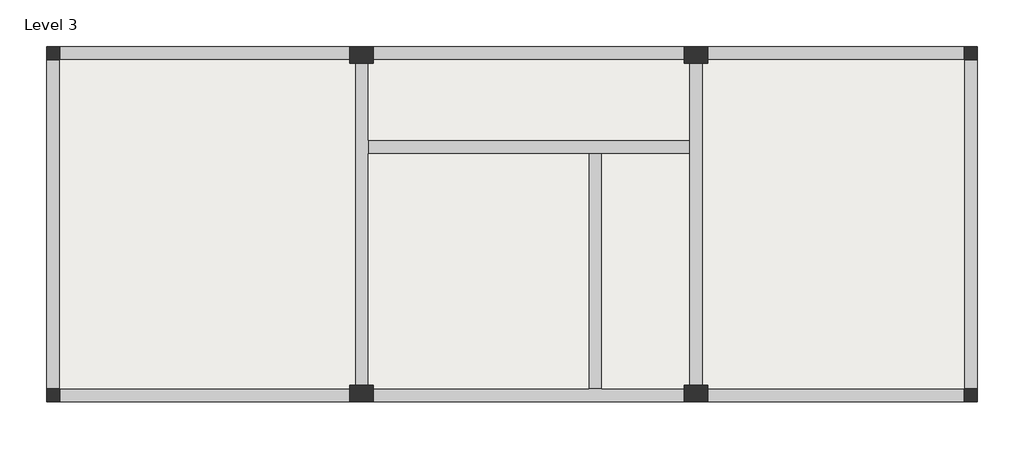
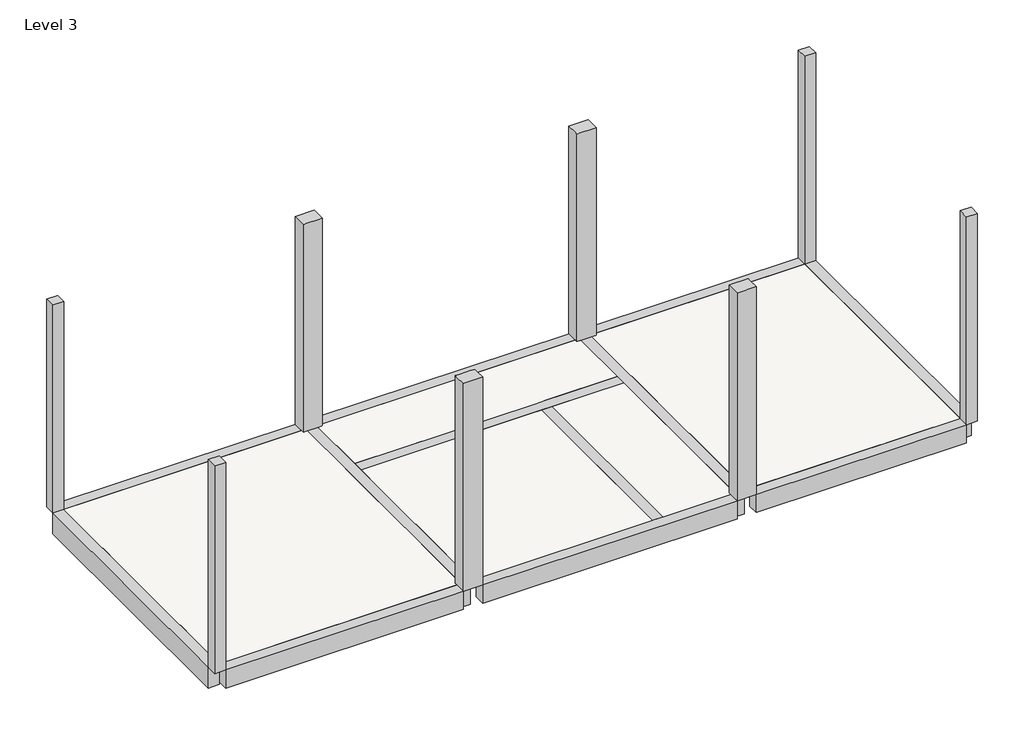
# One storey: 8 beams, 8 columns, 1 slab.
"""IFC4 building model written with IfcOpenShell, lengths in millimetres."""

import ifcopenshell
import ifcopenshell.guid

model = None  # the IFC model being written
_history = None  # IfcOwnerHistory: only IFC2X3 demands one
_inside = {}  # id of a spatial element -> (the spatial element, [elements in it])
_under = {}  # id of a project, library or spatial element -> (it, [spatial elements below it])
_declared = {}  # id of a project -> (the project, [libraries it declares])
_typed = {}  # id of a type object -> (the type object, [elements of that type])
_made_of = {}  # id of a material, layer set ... -> (it, [elements and type objects made of it])


def new_model(schema):
    """Start an empty IFC model of exactly this schema.

    Asked for "IFC4X3", IfcOpenShell would pick the latest addendum, in which some entities
    have other attributes; the version numbers below select the first issue.
    IFC2X3 requires an IfcOwnerHistory on every rooted entity: one is made here for all.
    """
    global model, _history
    if schema == "IFC4X3":
        model = ifcopenshell.file(schema_version=(4, 3, 0, 0))
    else:
        model = ifcopenshell.file(schema=schema)
    _inside.clear()
    _under.clear()
    _declared.clear()
    _typed.clear()
    _made_of.clear()
    _history = None
    if model.schema == "IFC2X3":
        org = make("IfcOrganization", Name="unknown")
        user = make(
            "IfcPersonAndOrganization",
            ThePerson=make("IfcPerson", FamilyName="unknown"),
            TheOrganization=org,
        )
        app = make(
            "IfcApplication",
            ApplicationDeveloper=org,
            Version="unknown",
            ApplicationFullName="unknown",
            ApplicationIdentifier="unknown",
        )
        _history = make(
            "IfcOwnerHistory",
            OwningUser=user,
            OwningApplication=app,
            ChangeAction="ADDED",
            CreationDate=0,
        )
    return model


def make(cls, **values):
    """One entity of the class cls with the attributes given. An attribute that is None is left unset."""
    return model.create_entity(
        cls, **{name: value for name, value in values.items() if value is not None}
    )


def rooted(cls, **values):
    """An entity with a GlobalId (a new one), such as an element, a storey or a relation."""
    return make(cls, GlobalId=ifcopenshell.guid.new(), OwnerHistory=_history, **values)


def si_unit(unit_type, name, prefix=None):
    """IfcSIUnit, for example si_unit("LENGTHUNIT", "METRE", prefix="MILLI")."""
    return make("IfcSIUnit", UnitType=unit_type, Prefix=prefix, Name=name)


def assignment(units):
    """IfcUnitAssignment: the units of a project."""
    return None if units is None else make("IfcUnitAssignment", Units=units)


def point(xyz):
    """IfcCartesianPoint."""
    return None if xyz is None else make("IfcCartesianPoint", Coordinates=xyz)


def direction(xyz):
    """IfcDirection."""
    return None if xyz is None else make("IfcDirection", DirectionRatios=xyz)


def frame(location, z_axis=None, x_axis=None):
    """IfcAxis2Placement3D, a coordinate frame: its origin and axes. An axis left out is left unset."""
    return make(
        "IfcAxis2Placement3D",
        Location=point(location),
        Axis=direction(z_axis),
        RefDirection=direction(x_axis),
    )


def origin():
    """The frame at (0, 0, 0) with its axes left unset."""
    return frame((0.0, 0.0, 0.0))


def place(relative_to, where):
    """IfcLocalPlacement: puts the frame where relative to a parent placement (None: the world)."""
    return make(
        "IfcLocalPlacement", PlacementRelTo=relative_to, RelativePlacement=where
    )


def context(
    kind, dimensions, precision=None, world=None, true_north=None, identifier=None
):
    """IfcGeometricRepresentationContext, for example the 3D "Model" context."""
    return make(
        "IfcGeometricRepresentationContext",
        ContextIdentifier=identifier,
        ContextType=kind,
        CoordinateSpaceDimension=dimensions,
        Precision=precision,
        WorldCoordinateSystem=world,
        TrueNorth=true_north,
    )


def project(units=None, contexts=None):
    """IfcProject with its units and contexts."""
    return rooted(
        "IfcProject",
        Name="project",
        RepresentationContexts=contexts,
        UnitsInContext=assignment(units),
    )


def spatial(cls, under=None, at=None, **own):
    """A site, building, storey or space (cls), placed at a placement, below another one or the project."""
    s = rooted(cls, ObjectPlacement=at, **own)
    if under is not None:
        _under.setdefault(under.id(), (under, []))[1].append(s)
    return s


def faces_of(points, faces, orient=None, outer=None):
    """IfcFace entities. A face is a list of loops; a loop is a list of indices into points, from 0.

    orient and outer hold one flag for each loop. By default every Orientation is true, the
    first loop of a face is its IfcFaceOuterBound and the others are IfcFaceBound.
    """
    made = []
    for i, loops in enumerate(faces):
        bounds = []
        for j, loop in enumerate(loops):
            is_outer = j == 0 if outer is None else outer[i][j]
            bounds.append(
                make(
                    "IfcFaceOuterBound" if is_outer else "IfcFaceBound",
                    Bound=make("IfcPolyLoop", Polygon=[points[k] for k in loop]),
                    Orientation=True if orient is None else orient[i][j],
                )
            )
        made.append(make("IfcFace", Bounds=bounds))
    return made


def faceted_brep(points, faces, orient=None, outer=None, voids=None):
    """IfcFacetedBrep: a solid bounded by flat faces; with voids (closed shells), ...WithVoids."""
    shared = [point(p) for p in points]
    hull = make("IfcClosedShell", CfsFaces=faces_of(shared, faces, orient, outer))
    if voids is None:
        return make("IfcFacetedBrep", Outer=hull)
    return make(
        "IfcFacetedBrepWithVoids",
        Outer=hull,
        Voids=[
            make(cls, CfsFaces=faces_of(shared, fs, o, b)) for cls, fs, o, b in voids
        ],
    )


def shape(context_of_items, identifier, shape_type, items):
    """IfcShapeRepresentation: the items that make up one representation, for example the "Body"."""
    return make(
        "IfcShapeRepresentation",
        ContextOfItems=context_of_items,
        RepresentationIdentifier=identifier,
        RepresentationType=shape_type,
        Items=items,
    )


def made_of(thing, what):
    """Note that an element or type object is made of a material, layer set ...; save() writes the relation."""
    if what is not None:
        _made_of.setdefault(what.id(), (what, []))[1].append(thing)
    return thing


def element(
    cls,
    number,
    at=None,
    inside=None,
    cuts=None,
    type_object=None,
    material=None,
    context=None,
    identifier="Body",
    shape_type=None,
    held_by="IfcProductDefinitionShape",
    body=None,
    shapes=None,
    **own,
):
    """One element of the class cls, such as IfcWall. Its Tag is "e" and its number.

    at: its placement. inside: the storey or other place that contains it. cuts: it is an
    opening in that element (IfcRelVoidsElement). A single representation is given by context,
    identifier, shape_type and body (its items); several are given by shapes. held_by: the class
    of the entity that holds the representations. save() writes the other relations.
    """
    e = rooted(cls, Tag="e%d" % number, ObjectPlacement=at, **own)
    if body is not None:
        shapes = [shape(context, identifier, shape_type, body)]
    if shapes is not None:
        e.Representation = make(held_by, Representations=shapes)
    if inside is not None:
        _inside.setdefault(inside.id(), (inside, []))[1].append(e)
    if cuts is not None:
        rooted(
            "IfcRelVoidsElement", RelatingBuildingElement=cuts, RelatedOpeningElement=e
        )
    if type_object is not None:
        _typed.setdefault(type_object.id(), (type_object, []))[1].append(e)
    return made_of(e, material)


def aggregate(whole, parts):
    """IfcRelAggregates: a whole, such as a stair, and the parts it consists of."""
    return rooted("IfcRelAggregates", RelatingObject=whole, RelatedObjects=parts)


def save(model, path):
    """Write the relations noted so far, then the file.

    IfcRelAggregates (storeys below a building ...), IfcRelContainedInSpatialStructure (elements
    in a storey), IfcRelDefinesByType, IfcRelAssociatesMaterial and IfcRelDeclares: one each for
    every whole, place, type object, material and project.
    """
    for whole, parts in _under.values():
        aggregate(whole, parts)
    for where, things in _inside.values():
        rooted(
            "IfcRelContainedInSpatialStructure",
            RelatedElements=things,
            RelatingStructure=where,
        )
    for kind, things in _typed.values():
        rooted("IfcRelDefinesByType", RelatedObjects=things, RelatingType=kind)
    for what, things in _made_of.values():
        rooted("IfcRelAssociatesMaterial", RelatedObjects=things, RelatingMaterial=what)
    for by, libraries in _declared.values():
        rooted("IfcRelDeclares", RelatingContext=by, RelatedDefinitions=libraries)
    model.write(path)


model = new_model("IFC4")

# Units and contexts
model_context = context("Model", 3, world=origin())
ifc_project = project(units=[si_unit("LENGTHUNIT", "METRE", prefix="MILLI")], contexts=[model_context])

# Site, building, storey
site = spatial("IfcSite", under=ifc_project)
building = spatial("IfcBuilding", under=site)
storey = spatial("IfcBuildingStorey", under=building, Name="Level 3", Elevation=7800.0)

# Beams
placement = place(None, origin())
element("IfcBeam", 1, ObjectType="200x300", at=placement, inside=storey, context=model_context, shape_type="Brep", body=[
    faceted_brep([(-6151.8328064, 1922.2386726, 7800.0), (-6151.8328064, 1722.2386726, 7800.0), (-2869.5898832, 1722.2386726, 7800.0), (-2669.5898832, 1722.2386726, 7800.0), (-1369.5898832, 1722.2386726, 7800.0), (-1369.5898832, 1922.2386726, 7800.0), (-6151.8328064, 1722.2386726, 7700.0), (-6151.8328064, 1722.2386726, 7500.0), (-2869.5898832, 1722.2386726, 7500.0), (-2669.5898832, 1722.2386726, 7500.0), (-1369.5898832, 1722.2386726, 7500.0), (-1369.5898832, 1722.2386726, 7700.0), (-6151.8328064, 1922.2386726, 7500.0), (-1369.5898832, 1922.2386726, 7500.0), (-6151.8328064, 1922.2386726, 7700.0), (-1369.5898832, 1922.2386726, 7700.0)], [[[0, 1, 2, 3, 4, 5]], [[1, 6, 7, 8, 9, 10, 11, 4, 3, 2]], [[7, 12, 13, 10, 9, 8]], [[12, 14, 0, 5, 15, 13]], [[1, 0, 14, 12, 7, 6]], [[5, 4, 11, 10, 13, 15]]]),
])
element("IfcBeam", 2, ObjectType="200x300", at=placement, inside=storey, context=model_context, shape_type="Brep", body=[
    faceted_brep([(-2669.5898832, -1777.7613274, 7800.0), (-2869.5898832, -1777.7613274, 7800.0), (-2869.5898832, -1777.7613274, 7700.0), (-2869.5898832, -1777.7613274, 7500.0), (-2669.5898832, -1777.7613274, 7500.0), (-2669.5898832, -1777.7613274, 7700.0), (-2669.5898832, 1722.2386726, 7800.0), (-2869.5898832, 1722.2386726, 7800.0), (-2869.5898832, 1722.2386726, 7700.0), (-2869.5898832, 1722.2386726, 7500.0), (-2669.5898832, 1722.2386726, 7500.0), (-2669.5898832, 1722.2386726, 7700.0)], [[[0, 1, 2, 3, 4, 5]], [[1, 0, 6, 7]], [[3, 2, 1, 7, 8, 9]], [[4, 3, 9, 10]], [[0, 5, 4, 10, 11, 6]], [[7, 6, 11, 10, 9, 8]]]),
])
element("IfcBeam", 3, ObjectType="200x350", at=placement, inside=storey, context=model_context, shape_type="Brep", body=[
    faceted_brep([(2730.4101168, 3322.2386726, 7450.0), (2730.4101168, 3122.2386726, 7450.0), (-1094.5898832, 3122.2386726, 7450.0), (-1094.5898832, 3322.2386726, 7450.0), (2730.4101168, 3122.2386726, 7700.0), (2730.4101168, 3122.2386726, 7800.0), (-1094.5898832, 3122.2386726, 7800.0), (-1094.5898832, 3122.2386726, 7700.0), (2730.4101168, 3322.2386726, 7800.0), (-1094.5898832, 3322.2386726, 7800.0)], [[[0, 1, 2, 3]], [[1, 4, 5, 6, 7, 2]], [[8, 0, 3, 9]], [[5, 8, 9, 6]], [[1, 0, 8, 5, 4]], [[3, 2, 7, 6, 9]]]),
    faceted_brep([(-10751.8328064, 3322.2386726, 7450.0), (-10751.8328064, 3122.2386726, 7450.0), (-10751.8328064, 3122.2386726, 7700.0), (-10751.8328064, 3122.2386726, 7800.0), (-10751.8328064, 3322.2386726, 7800.0), (-6426.8328064, 3122.2386726, 7450.0), (-6426.8328064, 3322.2386726, 7450.0), (-6426.8328064, 3322.2386726, 7800.0), (-6426.8328064, 3122.2386726, 7800.0), (-6426.8328064, 3122.2386726, 7700.0)], [[[0, 1, 2, 3, 4]], [[5, 6, 7, 8, 9]], [[1, 0, 6, 5]], [[3, 2, 1, 5, 9, 8]], [[0, 4, 7, 6]], [[4, 3, 8, 7]]]),
    faceted_brep([(-6076.8328064, 3322.2386726, 7450.0), (-6076.8328064, 3122.2386726, 7450.0), (-6076.8328064, 3122.2386726, 7700.0), (-6076.8328064, 3122.2386726, 7800.0), (-6076.8328064, 3322.2386726, 7800.0), (-1444.5898832, 3122.2386726, 7450.0), (-1444.5898832, 3322.2386726, 7450.0), (-1444.5898832, 3322.2386726, 7800.0), (-1444.5898832, 3122.2386726, 7800.0), (-1444.5898832, 3122.2386726, 7700.0)], [[[0, 1, 2, 3, 4]], [[5, 6, 7, 8, 9]], [[1, 0, 6, 5]], [[3, 2, 1, 5, 9, 8]], [[0, 4, 7, 6]], [[4, 3, 8, 7]]]),
])
element("IfcBeam", 4, ObjectType="200x350", at=placement, inside=storey, context=model_context, shape_type="Brep", body=[
    faceted_brep([(-10751.8328064, -1977.7613274, 7450.0), (-10751.8328064, -1777.7613274, 7450.0), (-6426.8328064, -1777.7613274, 7450.0), (-6426.8328064, -1977.7613274, 7450.0), (-10751.8328064, -1777.7613274, 7700.0), (-10751.8328064, -1777.7613274, 7800.0), (-6426.8328064, -1777.7613274, 7800.0), (-6426.8328064, -1777.7613274, 7700.0), (-10751.8328064, -1977.7613274, 7800.0), (-6426.8328064, -1977.7613274, 7800.0)], [[[0, 1, 2, 3]], [[1, 4, 5, 6, 7, 2]], [[8, 0, 3, 9]], [[5, 8, 9, 6]], [[1, 0, 8, 5, 4]], [[3, 2, 7, 6, 9]]]),
    faceted_brep([(2730.4101168, -1977.7613274, 7450.0), (2730.4101168, -1777.7613274, 7450.0), (2730.4101168, -1777.7613274, 7700.0), (2730.4101168, -1777.7613274, 7800.0), (2730.4101168, -1977.7613274, 7800.0), (-1094.5898832, -1777.7613274, 7450.0), (-1094.5898832, -1977.7613274, 7450.0), (-1094.5898832, -1977.7613274, 7800.0), (-1094.5898832, -1777.7613274, 7800.0), (-1094.5898832, -1777.7613274, 7700.0)], [[[0, 1, 2, 3, 4]], [[5, 6, 7, 8, 9]], [[1, 0, 6, 5]], [[3, 2, 1, 5, 9, 8]], [[0, 4, 7, 6]], [[4, 3, 8, 7]]]),
    faceted_brep([(-1444.5898832, -1977.7613274, 7450.0), (-1444.5898832, -1777.7613274, 7450.0), (-1444.5898832, -1777.7613274, 7700.0), (-1444.5898832, -1777.7613274, 7800.0), (-1444.5898832, -1977.7613274, 7800.0), (-6076.8328064, -1777.7613274, 7450.0), (-6076.8328064, -1977.7613274, 7450.0), (-6076.8328064, -1977.7613274, 7800.0), (-6076.8328064, -1777.7613274, 7800.0), (-6076.8328064, -1777.7613274, 7700.0), (-2869.5898832, -1777.7613274, 7800.0), (-2669.5898832, -1777.7613274, 7800.0)], [[[0, 1, 2, 3, 4]], [[5, 6, 7, 8, 9]], [[1, 0, 6, 5]], [[3, 2, 1, 5, 9, 8, 10, 11]], [[0, 4, 7, 6]], [[4, 3, 11, 10, 8, 7]]]),
])
element("IfcBeam", 5, ObjectType="200x400", at=placement, inside=storey, context=model_context, shape_type="Brep", body=[
    faceted_brep([(2730.4101168, -1777.7613274, 7400.0), (2730.4101168, -1777.7613274, 7700.0), (2730.4101168, -1777.7613274, 7800.0), (2730.4101168, 3122.2386726, 7800.0), (2730.4101168, 3122.2386726, 7700.0), (2730.4101168, 3122.2386726, 7400.0), (2930.4101168, -1777.7613274, 7400.0), (2930.4101168, 3122.2386726, 7400.0), (2930.4101168, -1777.7613274, 7800.0), (2930.4101168, 3122.2386726, 7800.0)], [[[0, 1, 2, 3, 4, 5]], [[6, 0, 5, 7]], [[8, 6, 7, 9]], [[2, 8, 9, 3]], [[2, 1, 0, 6, 8]], [[5, 4, 3, 9, 7]]]),
])
element("IfcBeam", 6, ObjectType="200x400", at=placement, inside=storey, context=model_context, shape_type="Brep", body=[
    faceted_brep([(-10751.8328064, 3122.2386726, 7400.0), (-10751.8328064, 3122.2386726, 7700.0), (-10751.8328064, 3122.2386726, 7800.0), (-10751.8328064, -1777.7613274, 7800.0), (-10751.8328064, -1777.7613274, 7700.0), (-10751.8328064, -1777.7613274, 7400.0), (-10951.8328064, 3122.2386726, 7400.0), (-10951.8328064, -1777.7613274, 7400.0), (-10951.8328064, 3122.2386726, 7800.0), (-10951.8328064, -1777.7613274, 7800.0)], [[[0, 1, 2, 3, 4, 5]], [[6, 0, 5, 7]], [[8, 6, 7, 9]], [[2, 8, 9, 3]], [[2, 1, 0, 6, 8]], [[5, 4, 3, 9, 7]]]),
])
element("IfcBeam", 7, ObjectType="200x500", at=placement, inside=storey, context=model_context, shape_type="Brep", body=[
    faceted_brep([(-6151.8328064, -1727.7613274, 7800.0), (-6151.8328064, -1727.7613274, 7700.0), (-6151.8328064, -1727.7613274, 7300.0), (-6151.8328064, 3072.2386726, 7300.0), (-6151.8328064, 3072.2386726, 7700.0), (-6151.8328064, 3072.2386726, 7800.0), (-6151.8328064, 1922.2386726, 7800.0), (-6151.8328064, 1722.2386726, 7800.0), (-6351.8328064, -1727.7613274, 7800.0), (-6351.8328064, 3072.2386726, 7800.0), (-6351.8328064, -1727.7613274, 7300.0), (-6351.8328064, 3072.2386726, 7300.0), (-6351.8328064, -1727.7613274, 7700.0), (-6351.8328064, 3072.2386726, 7700.0)], [[[0, 1, 2, 3, 4, 5, 6, 7]], [[8, 0, 7, 6, 5, 9]], [[2, 10, 11, 3]], [[10, 12, 8, 9, 13, 11]], [[2, 1, 0, 8, 12, 10]], [[5, 4, 3, 11, 13, 9]]]),
])
element("IfcBeam", 8, ObjectType="200x500", at=placement, inside=storey, context=model_context, shape_type="Brep", body=[
    faceted_brep([(-1169.5898832, -1727.7613274, 7800.0), (-1169.5898832, -1727.7613274, 7700.0), (-1169.5898832, -1727.7613274, 7300.0), (-1169.5898832, 3072.2386726, 7300.0), (-1169.5898832, 3072.2386726, 7700.0), (-1169.5898832, 3072.2386726, 7800.0), (-1369.5898832, -1727.7613274, 7800.0), (-1369.5898832, 3072.2386726, 7800.0), (-1369.5898832, 1922.2386726, 7800.0), (-1369.5898832, 1722.2386726, 7800.0), (-1369.5898832, -1727.7613274, 7300.0), (-1369.5898832, 3072.2386726, 7300.0), (-1369.5898832, -1727.7613274, 7700.0), (-1369.5898832, 3072.2386726, 7700.0)], [[[0, 1, 2, 3, 4, 5]], [[6, 0, 5, 7, 8, 9]], [[2, 10, 11, 3]], [[10, 12, 6, 9, 8, 7, 13, 11]], [[2, 1, 0, 6, 12, 10]], [[5, 4, 3, 11, 13, 7]]]),
])

# Columns
element("IfcColumn", 9, ObjectType="C", at=placement, inside=storey, context=model_context, shape_type="Brep", body=[
    faceted_brep([(-10751.8328064, 3322.2386726, 7800.0), (-10751.8328064, 3122.2386726, 7800.0), (-10951.8328064, 3122.2386726, 7800.0), (-10951.8328064, 3322.2386726, 7800.0), (-10751.8328064, 3322.2386726, 11800.0), (-10751.8328064, 3122.2386726, 11800.0), (-10751.8328064, 3122.2386726, 11450.0), (-10751.8328064, 3122.2386726, 11400.0), (-10751.8328064, 3322.2386726, 11450.0), (-10951.8328064, 3122.2386726, 11800.0), (-10951.8328064, 3122.2386726, 11400.0), (-10951.8328064, 3322.2386726, 11800.0)], [[[0, 1, 2, 3]], [[4, 5, 6, 7, 1, 0, 8]], [[5, 9, 10, 2, 1, 7, 6]], [[9, 11, 3, 2, 10]], [[11, 4, 8, 0, 3]], [[4, 11, 9, 5]]]),
])
element("IfcColumn", 10, ObjectType="C", at=placement, inside=storey, context=model_context, shape_type="Brep", body=[
    faceted_brep([(-10951.8328064, -1777.7613274, 7800.0), (-10751.8328064, -1777.7613274, 7800.0), (-10751.8328064, -1977.7613274, 7800.0), (-10951.8328064, -1977.7613274, 7800.0), (-10951.8328064, -1777.7613274, 11800.0), (-10751.8328064, -1777.7613274, 11800.0), (-10751.8328064, -1777.7613274, 11450.0), (-10751.8328064, -1777.7613274, 11400.0), (-10951.8328064, -1777.7613274, 11400.0), (-10751.8328064, -1977.7613274, 11800.0), (-10751.8328064, -1977.7613274, 11450.0), (-10951.8328064, -1977.7613274, 11800.0)], [[[0, 1, 2, 3]], [[4, 5, 6, 7, 1, 0, 8]], [[5, 9, 10, 2, 1, 7, 6]], [[9, 11, 3, 2, 10]], [[11, 4, 8, 0, 3]], [[4, 11, 9, 5]]]),
])
element("IfcColumn", 11, ObjectType="C", at=placement, inside=storey, context=model_context, shape_type="Brep", body=[
    faceted_brep([(2730.4101168, -1977.7613274, 7800.0), (2730.4101168, -1777.7613274, 7800.0), (2930.4101168, -1777.7613274, 7800.0), (2930.4101168, -1977.7613274, 7800.0), (2730.4101168, -1977.7613274, 11800.0), (2730.4101168, -1777.7613274, 11800.0), (2730.4101168, -1777.7613274, 11450.0), (2730.4101168, -1777.7613274, 11400.0), (2730.4101168, -1977.7613274, 11450.0), (2930.4101168, -1777.7613274, 11800.0), (2930.4101168, -1777.7613274, 11400.0), (2930.4101168, -1977.7613274, 11800.0)], [[[0, 1, 2, 3]], [[4, 5, 6, 7, 1, 0, 8]], [[5, 9, 10, 2, 1, 7, 6]], [[9, 11, 3, 2, 10]], [[11, 4, 8, 0, 3]], [[4, 11, 9, 5]]]),
])
element("IfcColumn", 12, ObjectType="C", at=placement, inside=storey, context=model_context, shape_type="Brep", body=[
    faceted_brep([(2930.4101168, 3122.2386726, 7800.0), (2730.4101168, 3122.2386726, 7800.0), (2730.4101168, 3322.2386726, 7800.0), (2930.4101168, 3322.2386726, 7800.0), (2930.4101168, 3122.2386726, 11800.0), (2730.4101168, 3122.2386726, 11800.0), (2730.4101168, 3122.2386726, 11450.0), (2730.4101168, 3122.2386726, 11400.0), (2930.4101168, 3122.2386726, 11400.0), (2730.4101168, 3322.2386726, 11800.0), (2730.4101168, 3322.2386726, 11450.0), (2930.4101168, 3322.2386726, 11800.0)], [[[0, 1, 2, 3]], [[4, 5, 6, 7, 1, 0, 8]], [[5, 9, 10, 2, 1, 7, 6]], [[9, 11, 3, 2, 10]], [[11, 4, 8, 0, 3]], [[4, 11, 9, 5]]]),
])
element("IfcColumn", 13, ObjectType="C", at=placement, inside=storey, context=model_context, shape_type="Brep", body=[
    faceted_brep([(-1444.5898832, -1727.7613274, 7800.0), (-1094.5898832, -1727.7613274, 7800.0), (-1094.5898832, -1977.7613274, 7800.0), (-1444.5898832, -1977.7613274, 7800.0), (-1444.5898832, -1727.7613274, 11800.0), (-1369.5898832, -1727.7613274, 11800.0), (-1169.5898832, -1727.7613274, 11800.0), (-1094.5898832, -1727.7613274, 11800.0), (-1094.5898832, -1727.7613274, 11700.0), (-1444.5898832, -1727.7613274, 11700.0), (-1094.5898832, -1777.7613274, 11800.0), (-1094.5898832, -1977.7613274, 11800.0), (-1094.5898832, -1977.7613274, 11450.0), (-1444.5898832, -1977.7613274, 11800.0), (-1444.5898832, -1977.7613274, 11450.0), (-1444.5898832, -1777.7613274, 11800.0)], [[[0, 1, 2, 3]], [[4, 5, 6, 7, 8, 1, 0, 9]], [[7, 10, 11, 12, 2, 1, 8]], [[11, 13, 14, 3, 2, 12]], [[13, 15, 4, 9, 0, 3, 14]], [[4, 15, 13, 11, 10, 7, 6, 5]]]),
])
element("IfcColumn", 14, ObjectType="C", at=placement, inside=storey, context=model_context, shape_type="Brep", body=[
    faceted_brep([(-6426.8328064, -1727.7613274, 7800.0), (-6076.8328064, -1727.7613274, 7800.0), (-6076.8328064, -1977.7613274, 7800.0), (-6426.8328064, -1977.7613274, 7800.0), (-6426.8328064, -1727.7613274, 11800.0), (-6351.8328064, -1727.7613274, 11800.0), (-6151.8328064, -1727.7613274, 11800.0), (-6076.8328064, -1727.7613274, 11800.0), (-6076.8328064, -1727.7613274, 11700.0), (-6426.8328064, -1727.7613274, 11700.0), (-6076.8328064, -1777.7613274, 11800.0), (-6076.8328064, -1977.7613274, 11800.0), (-6076.8328064, -1977.7613274, 11450.0), (-6426.8328064, -1977.7613274, 11800.0), (-6426.8328064, -1977.7613274, 11450.0), (-6426.8328064, -1777.7613274, 11800.0)], [[[0, 1, 2, 3]], [[4, 5, 6, 7, 8, 1, 0, 9]], [[7, 10, 11, 12, 2, 1, 8]], [[11, 13, 14, 3, 2, 12]], [[13, 15, 4, 9, 0, 3, 14]], [[4, 15, 13, 11, 10, 7, 6, 5]]]),
])
element("IfcColumn", 15, ObjectType="C", at=placement, inside=storey, context=model_context, shape_type="Brep", body=[
    faceted_brep([(-6076.8328064, 3072.2386726, 7800.0), (-6426.8328064, 3072.2386726, 7800.0), (-6426.8328064, 3322.2386726, 7800.0), (-6076.8328064, 3322.2386726, 7800.0), (-6076.8328064, 3072.2386726, 11800.0), (-6151.8328064, 3072.2386726, 11800.0), (-6351.8328064, 3072.2386726, 11800.0), (-6426.8328064, 3072.2386726, 11800.0), (-6426.8328064, 3072.2386726, 11700.0), (-6076.8328064, 3072.2386726, 11700.0), (-6426.8328064, 3122.2386726, 11800.0), (-6426.8328064, 3322.2386726, 11800.0), (-6426.8328064, 3322.2386726, 11450.0), (-6076.8328064, 3322.2386726, 11800.0), (-6076.8328064, 3322.2386726, 11450.0), (-6076.8328064, 3122.2386726, 11800.0)], [[[0, 1, 2, 3]], [[4, 5, 6, 7, 8, 1, 0, 9]], [[7, 10, 11, 12, 2, 1, 8]], [[11, 13, 14, 3, 2, 12]], [[13, 15, 4, 9, 0, 3, 14]], [[4, 15, 13, 11, 10, 7, 6, 5]]]),
])
element("IfcColumn", 16, ObjectType="C", at=placement, inside=storey, context=model_context, shape_type="Brep", body=[
    faceted_brep([(-1094.5898832, 3072.2386726, 7800.0), (-1444.5898832, 3072.2386726, 7800.0), (-1444.5898832, 3322.2386726, 7800.0), (-1094.5898832, 3322.2386726, 7800.0), (-1094.5898832, 3072.2386726, 11800.0), (-1169.5898832, 3072.2386726, 11800.0), (-1369.5898832, 3072.2386726, 11800.0), (-1444.5898832, 3072.2386726, 11800.0), (-1444.5898832, 3072.2386726, 11700.0), (-1094.5898832, 3072.2386726, 11700.0), (-1444.5898832, 3122.2386726, 11800.0), (-1444.5898832, 3322.2386726, 11800.0), (-1444.5898832, 3322.2386726, 11450.0), (-1094.5898832, 3322.2386726, 11800.0), (-1094.5898832, 3322.2386726, 11450.0), (-1094.5898832, 3122.2386726, 11800.0)], [[[0, 1, 2, 3]], [[4, 5, 6, 7, 8, 1, 0, 9]], [[7, 10, 11, 12, 2, 1, 8]], [[11, 13, 14, 3, 2, 12]], [[13, 15, 4, 9, 0, 3, 14]], [[4, 15, 13, 11, 10, 7, 6, 5]]]),
])

# Slab
element("IfcSlab", 17, ObjectType="Hs (100)", at=placement, inside=storey, context=model_context, shape_type="Brep", body=[
    faceted_brep([(-6426.8328064, 3122.2386726, 7700.0), (-6426.8328064, 3072.2386726, 7700.0), (-6351.8328064, 3072.2386726, 7700.0), (-6351.8328064, 1922.2386726, 7700.0), (-6351.8328064, 1722.2386726, 7700.0), (-6351.8328064, -1727.7613274, 7700.0), (-6426.8328064, -1727.7613274, 7700.0), (-6426.8328064, -1777.7613274, 7700.0), (-10751.8328064, -1777.7613274, 7700.0), (-10751.8328064, 3122.2386726, 7700.0), (-6426.8328064, 3072.2386726, 7800.0), (-6426.8328064, 3122.2386726, 7800.0), (-10751.8328064, 3122.2386726, 7800.0), (-10751.8328064, -1777.7613274, 7800.0), (-6426.8328064, -1777.7613274, 7800.0), (-6426.8328064, -1727.7613274, 7800.0), (-6351.8328064, -1727.7613274, 7800.0), (-6351.8328064, 1722.2386726, 7800.0), (-6351.8328064, 1922.2386726, 7800.0), (-6351.8328064, 3072.2386726, 7800.0)], [[[0, 1, 2, 3, 4, 5, 6, 7, 8, 9]], [[10, 11, 12, 13, 14, 15, 16, 17, 18, 19]], [[11, 0, 9, 12]], [[7, 14, 13, 8]], [[15, 6, 5, 16]], [[6, 15, 14, 7]], [[1, 10, 19, 2]], [[10, 1, 0, 11]], [[9, 8, 13, 12]], [[16, 5, 4, 3, 2, 19, 18, 17]]]),
    faceted_brep([(-6076.8328064, 3072.2386726, 7700.0), (-6076.8328064, 3122.2386726, 7700.0), (-1444.5898832, 3122.2386726, 7700.0), (-1444.5898832, 3072.2386726, 7700.0), (-1369.5898832, 3072.2386726, 7700.0), (-1369.5898832, 1922.2386726, 7700.0), (-2669.5898832, 1922.2386726, 7700.0), (-2869.5898832, 1922.2386726, 7700.0), (-6151.8328064, 1922.2386726, 7700.0), (-6151.8328064, 3072.2386726, 7700.0), (-1444.5898832, 3072.2386726, 7800.0), (-1444.5898832, 3122.2386726, 7800.0), (-6076.8328064, 3122.2386726, 7800.0), (-6076.8328064, 3072.2386726, 7800.0), (-6151.8328064, 3072.2386726, 7800.0), (-6151.8328064, 1922.2386726, 7800.0), (-2869.5898832, 1922.2386726, 7800.0), (-2669.5898832, 1922.2386726, 7800.0), (-1369.5898832, 1922.2386726, 7800.0), (-1369.5898832, 3072.2386726, 7800.0)], [[[0, 1, 2, 3, 4, 5, 6, 7, 8, 9]], [[10, 11, 12, 13, 14, 15, 16, 17, 18, 19]], [[2, 1, 12, 11]], [[13, 0, 9, 14]], [[0, 13, 12, 1]], [[3, 10, 19, 4]], [[10, 3, 2, 11]], [[14, 9, 8, 15]], [[4, 19, 18, 5]], [[15, 8, 7, 6, 5, 18, 17, 16]]]),
    faceted_brep([(-1094.5898832, 3072.2386726, 7700.0), (-1094.5898832, 3122.2386726, 7700.0), (2730.4101168, 3122.2386726, 7700.0), (2730.4101168, -1777.7613274, 7700.0), (-1094.5898832, -1777.7613274, 7700.0), (-1094.5898832, -1727.7613274, 7700.0), (-1169.5898832, -1727.7613274, 7700.0), (-1169.5898832, 1722.2386726, 7700.0), (-1169.5898832, 1922.2386726, 7700.0), (-1169.5898832, 3072.2386726, 7700.0), (-1094.5898832, 3122.2386726, 7800.0), (-1094.5898832, 3072.2386726, 7800.0), (-1169.5898832, 3072.2386726, 7800.0), (-1169.5898832, 1922.2386726, 7800.0), (-1169.5898832, 1722.2386726, 7800.0), (-1169.5898832, -1727.7613274, 7800.0), (-1094.5898832, -1727.7613274, 7800.0), (-1094.5898832, -1777.7613274, 7800.0), (2730.4101168, -1777.7613274, 7800.0), (2730.4101168, 3122.2386726, 7800.0)], [[[0, 1, 2, 3, 4, 5, 6, 7, 8, 9]], [[10, 11, 12, 13, 14, 15, 16, 17, 18, 19]], [[1, 10, 19, 2]], [[4, 3, 18, 17]], [[2, 19, 18, 3]], [[5, 16, 15, 6]], [[16, 5, 4, 17]], [[11, 0, 9, 12]], [[0, 11, 10, 1]], [[6, 15, 14, 13, 12, 9, 8, 7]]]),
    faceted_brep([(-1444.5898832, -1727.7613274, 7700.0), (-1444.5898832, -1777.7613274, 7700.0), (-2669.5898832, -1777.7613274, 7700.0), (-2669.5898832, 1722.2386726, 7700.0), (-1369.5898832, 1722.2386726, 7700.0), (-1369.5898832, -1727.7613274, 7700.0), (-1444.5898832, -1777.7613274, 7800.0), (-1444.5898832, -1727.7613274, 7800.0), (-1369.5898832, -1727.7613274, 7800.0), (-1369.5898832, 1722.2386726, 7800.0), (-2669.5898832, 1722.2386726, 7800.0), (-2669.5898832, -1777.7613274, 7800.0)], [[[0, 1, 2, 3, 4, 5]], [[6, 7, 8, 9, 10, 11]], [[1, 6, 11, 2]], [[7, 0, 5, 8]], [[0, 7, 6, 1]], [[8, 5, 4, 9]], [[9, 4, 3, 10]], [[3, 2, 11, 10]]]),
    faceted_brep([(-6076.8328064, -1777.7613274, 7700.0), (-6076.8328064, -1727.7613274, 7700.0), (-6151.8328064, -1727.7613274, 7700.0), (-6151.8328064, 1722.2386726, 7700.0), (-2869.5898832, 1722.2386726, 7700.0), (-2869.5898832, -1777.7613274, 7700.0), (-6076.8328064, -1727.7613274, 7800.0), (-6076.8328064, -1777.7613274, 7800.0), (-2869.5898832, -1777.7613274, 7800.0), (-2869.5898832, 1722.2386726, 7800.0), (-6151.8328064, 1722.2386726, 7800.0), (-6151.8328064, -1727.7613274, 7800.0)], [[[0, 1, 2, 3, 4, 5]], [[6, 7, 8, 9, 10, 11]], [[7, 0, 5, 8]], [[1, 6, 11, 2]], [[6, 1, 0, 7]], [[2, 11, 10, 3]], [[3, 10, 9, 4]], [[5, 4, 9, 8]]]),
])

save(model, "model.ifc")
